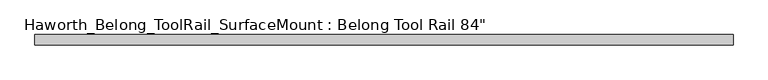
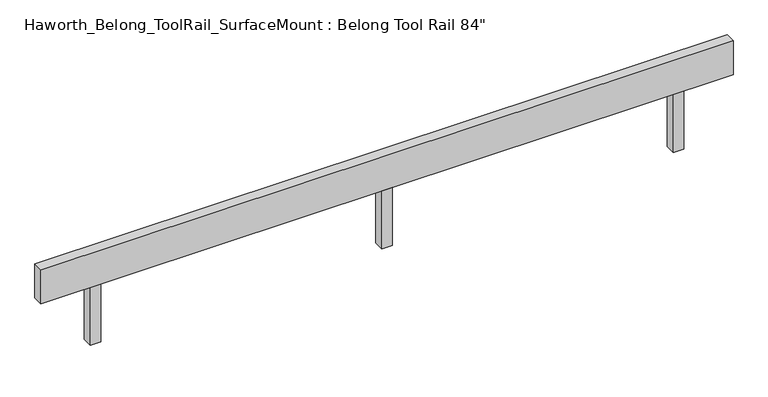
"""IFC4 building model written with IfcOpenShell, lengths in millimetres: furniture geometry."""

from ifc_helpers import new_model, si_unit, frame, origin, place, context, project, spatial, polyline, outline, extrude, source, transform, mapped, element, save


def furniture_12191358(model_context):
    return source(origin(), model_context, "Body", "SweptSolid", [
        extrude(outline(polyline([(15.875, 15.875), (15.875, -15.875), (-15.875, -15.875), (-15.875, 15.875), (15.875, 15.875)])), frame((0.0, 0.0, 762.0), z_axis=(0.0, 0.0, 1.0), x_axis=(1.0, 0.0, 0.0)), (0.0, 0.0, 1.0), 188.9125),
        extrude(outline(polyline([(1066.8, 15.875), (1066.8, -15.875), (-1066.8, -15.875), (-1066.8, 15.875), (1066.8, 15.875)])), frame((0.0, 0.0, 950.9125), z_axis=(0.0, 0.0, 1.0), x_axis=(1.0, 0.0, 0.0)), (0.0, 0.0, 1.0), 111.125),
        extrude(outline(polyline([(-914.4, 15.875), (-882.65, 15.875), (-882.65, -15.875), (-914.4, -15.875), (-914.4, 15.875)])), frame((0.0, 0.0, 762.0), z_axis=(0.0, 0.0, 1.0), x_axis=(1.0, 0.0, 0.0)), (0.0, 0.0, 1.0), 188.9125),
        extrude(outline(polyline([(882.65, 15.875), (914.4, 15.875), (914.4, -15.875), (882.65, -15.875), (882.65, 15.875)])), frame((0.0, 0.0, 762.0), z_axis=(0.0, 0.0, 1.0), x_axis=(1.0, 0.0, 0.0)), (0.0, 0.0, 1.0), 188.9125),
    ])


if __name__ == "__main__":
    model = new_model("IFC4")
    model_context = context("Model", 3, world=origin())
    ifc_project = project(units=[si_unit("LENGTHUNIT", "METRE", prefix="MILLI")], contexts=[model_context])
    site = spatial("IfcSite", under=ifc_project)
    building = spatial("IfcBuilding", under=site)
    placement = place(None, origin())
    furniture_shape = furniture_12191358(model_context)
    element("IfcFurniture", 1, ObjectType="Haworth_Belong_ToolRail_SurfaceMount : Belong Tool Rail 84\"", at=placement, inside=building, context=model_context, shape_type="MappedRepresentation", body=[
        mapped(furniture_shape, transform((0.0, 0.0, 0.0), x_axis=(1.0, 0.0, 0.0), y_axis=(0.0, 1.0, 0.0), z_axis=(0.0, 0.0, 1.0))),
    ])
    save(model, "model.ifc")
